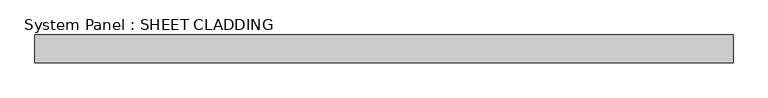
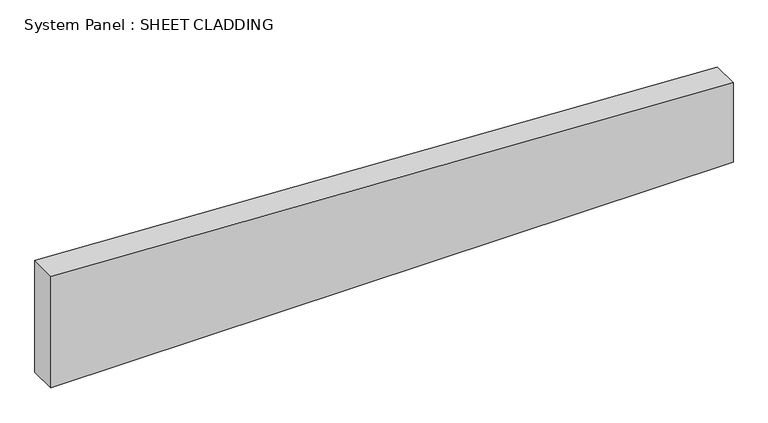
"""IFC4 building model written with IfcOpenShell, lengths in millimetres: plate geometry, System Panel : SHEET CLADDING."""

from ifc_helpers import new_model, si_unit, frame, origin, place, context, project, spatial, polyline, outline, extrude, source, transform, mapped, element, save


def system_panel_sheet_cladding_4a29a17f(model_context):
    return source(origin(), model_context, "Body", "SweptSolid", [
        extrude(outline(polyline([(0.0, -750.0), (0.0, 750.0), (185.1, 750.0), (260.1, -750.0), (0.0, -750.0)])), frame((0.0, -49.5, 0.0), z_axis=(0.0, 1.0, 0.0), x_axis=(0.0, 0.0, 1.0)), (0.0, 0.0, 1.0), 60.0),
    ])


if __name__ == "__main__":
    model = new_model("IFC4")
    model_context = context("Model", 3, world=origin())
    ifc_project = project(units=[si_unit("LENGTHUNIT", "METRE", prefix="MILLI")], contexts=[model_context])
    site = spatial("IfcSite", under=ifc_project)
    building = spatial("IfcBuilding", under=site)
    placement = place(None, origin())
    system_panel_sheet_cladding_shape = system_panel_sheet_cladding_4a29a17f(model_context)
    element("IfcPlate", 1, ObjectType="System Panel : SHEET CLADDING", at=placement, inside=building, context=model_context, shape_type="MappedRepresentation", body=[
        mapped(system_panel_sheet_cladding_shape, transform((0.0, 0.0, 0.0), x_axis=(1.0, 0.0, 0.0), y_axis=(0.0, 1.0, 0.0), z_axis=(0.0, 0.0, 1.0))),
    ])
    save(model, "model.ifc")
